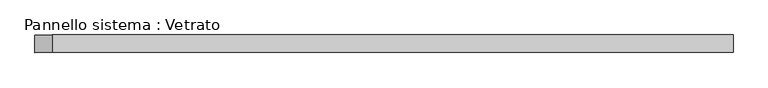
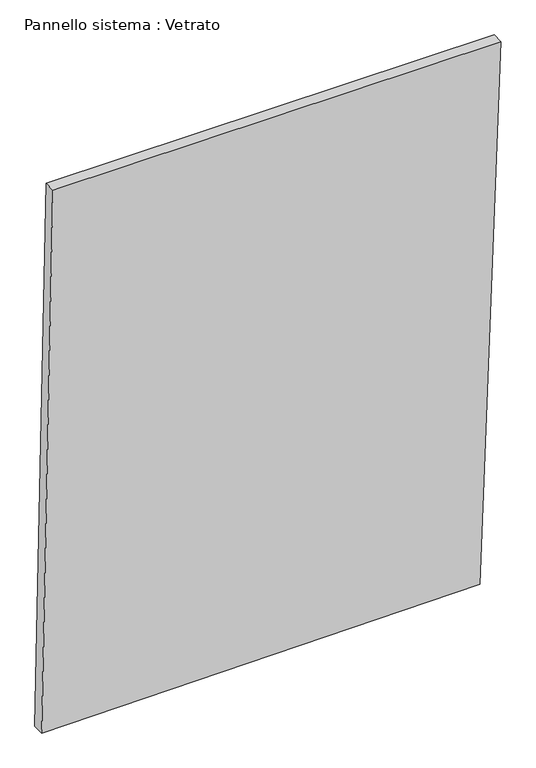
"""IFC4 building model written with IfcOpenShell, lengths in millimetres: plate geometry, Pannello sistema : Vetrato."""

from ifc_helpers import new_model, si_unit, frame, origin, place, context, project, spatial, polyline, outline, extrude, source, transform, mapped, element, save


def pannello_sistema_vetrato_3c918375(model_context):
    return source(origin(), model_context, "Body", "SweptSolid", [
        extrude(outline(polyline([(0.0, -596.0559024), (9.9389979, 541.388407), (1477.9270562, 596.0559024), (1477.9270562, -566.7029976), (0.0, -596.0559024)])), frame((0.0, -15.0, 0.0), z_axis=(0.0, 1.0, 0.0), x_axis=(0.0, 0.0, 1.0)), (0.0, 0.0, 1.0), 30.0),
    ])


if __name__ == "__main__":
    model = new_model("IFC4")
    model_context = context("Model", 3, world=origin())
    ifc_project = project(units=[si_unit("LENGTHUNIT", "METRE", prefix="MILLI")], contexts=[model_context])
    site = spatial("IfcSite", under=ifc_project)
    building = spatial("IfcBuilding", under=site)
    placement = place(None, origin())
    pannello_sistema_vetrato_shape = pannello_sistema_vetrato_3c918375(model_context)
    element("IfcPlate", 1, ObjectType="Pannello sistema : Vetrato", at=placement, inside=building, context=model_context, shape_type="MappedRepresentation", body=[
        mapped(pannello_sistema_vetrato_shape, transform((0.0, 0.0, 0.0), x_axis=(1.0, 0.0, 0.0), y_axis=(0.0, 1.0, 0.0), z_axis=(0.0, 0.0, 1.0))),
    ])
    save(model, "model.ifc")
